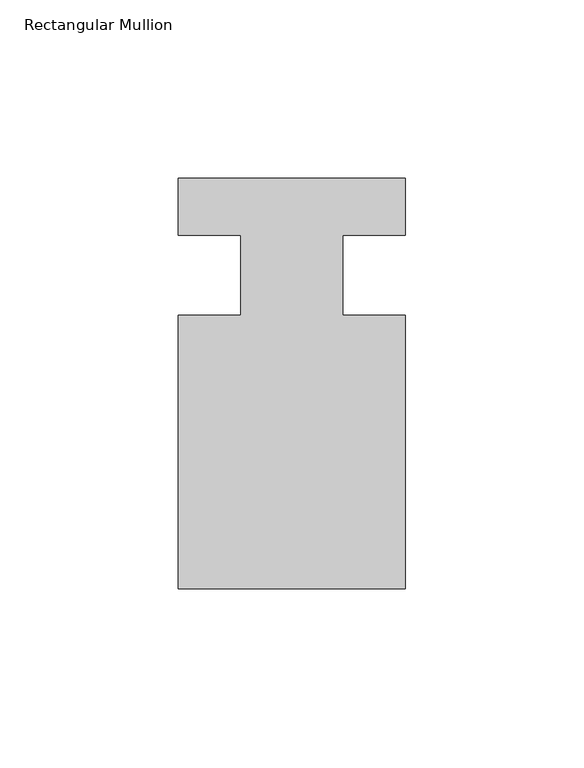
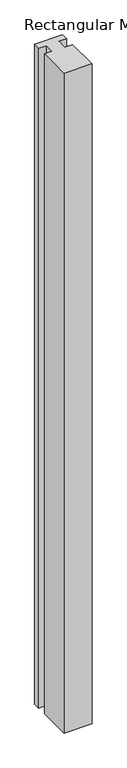
"""IFC4 building model written with IfcOpenShell, lengths in millimetres: member geometry, Rectangular Mullion."""

from ifc_helpers import new_model, si_unit, frame, origin, place, context, project, spatial, polyline, outline, extrude, source, transform, mapped, element, save


def rectangular_mullion_851db106(model_context):
    return source(origin(), model_context, "Body", "SweptSolid", [
        extrude(outline(polyline([(31.75, -114.5309812), (-31.75, -114.5309812), (-31.75, -38.0007813), (-14.2875, -38.0007812), (-14.2875, -15.5217812), (-31.75, -15.5217812), (-31.75, 0.3278188), (31.75, 0.3278188), (31.75, -15.5217812), (14.2875, -15.5217812), (14.2875, -38.0007813), (31.75, -38.0007813), (31.75, -114.5309812)])), frame((0.0, 0.0, -1581.2163745), z_axis=(0.0, 0.0, 1.0), x_axis=(1.0, 0.0, 0.0)), (0.0, 0.0, 1.0), 1581.2163745),
    ])


if __name__ == "__main__":
    model = new_model("IFC4")
    model_context = context("Model", 3, world=origin())
    ifc_project = project(units=[si_unit("LENGTHUNIT", "METRE", prefix="MILLI")], contexts=[model_context])
    site = spatial("IfcSite", under=ifc_project)
    building = spatial("IfcBuilding", under=site)
    placement = place(None, origin())
    rectangular_mullion_shape = rectangular_mullion_851db106(model_context)
    element("IfcMember", 1, ObjectType="Rectangular Mullion", at=placement, inside=building, context=model_context, shape_type="MappedRepresentation", body=[
        mapped(rectangular_mullion_shape, transform((0.0, 0.0, 0.0), x_axis=(1.0, 0.0, 0.0), y_axis=(0.0, 1.0, 0.0), z_axis=(0.0, 0.0, 1.0))),
    ])
    save(model, "model.ifc")
